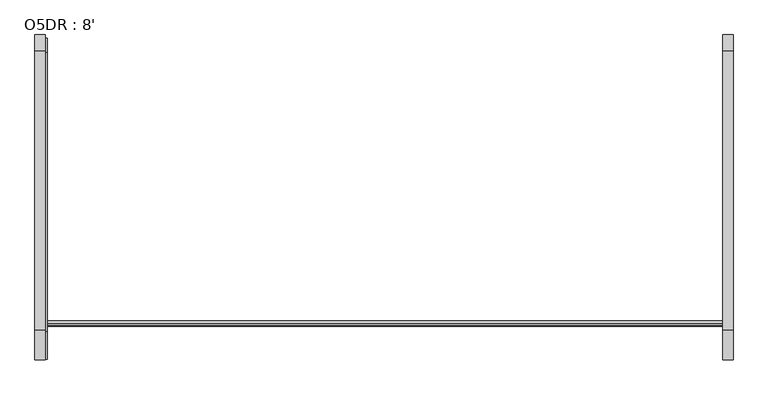
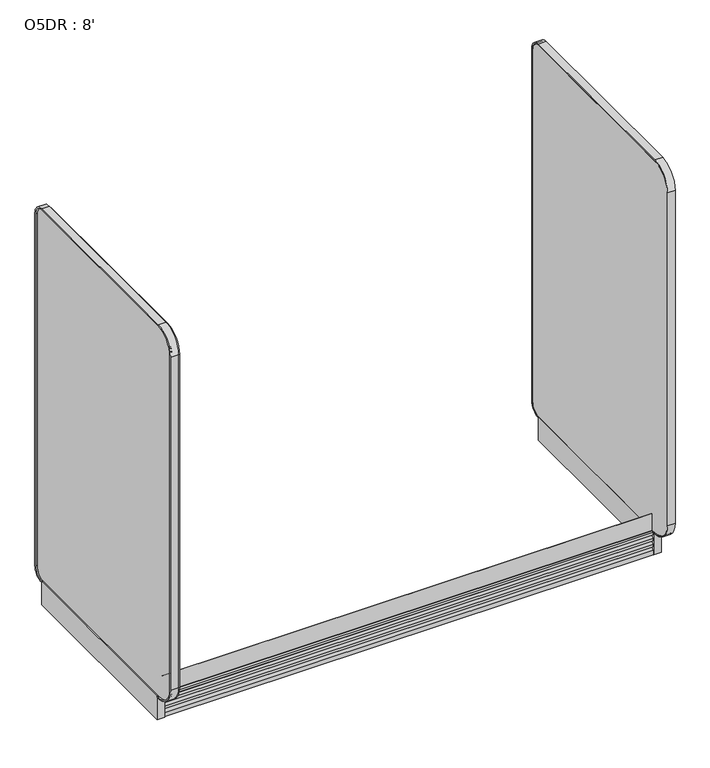
"""IFC4 building model written with IfcOpenShell, lengths in millimetres: proxy geometry, O5DR : 8'."""

from ifc_helpers import new_model, si_unit, point, frame, frame_2d, origin, origin_with_axes, place, context, project, spatial, polyline, circle_curve, trimmed, segment, composite_curve, outline, extrude, source, transform, mapped, element, save


def o5dr_8_f001a478(model_context):
    return source(origin(), model_context, "Body", "SweptSolid", [
        extrude(outline(composite_curve([segment(polyline([(-1369.8839273, 204.1509267), (-1369.8839273, 0.0), (-1388.9339273, 0.0), (-1388.9339273, 21.5408388)]), True, "CONTINUOUS"), segment(trimmed(circle_curve(frame_2d((-1389.2319159, 35.0451725)), 13.507621), [point((-1388.9339273, 21.5408388))], [point((-1376.3432892, 31.003004))], True, "CARTESIAN"), True, "CONTINUOUS"), segment(polyline([(-1376.3432892, 31.003004), (-1373.1694807, 42.2520535), (-1383.8066759, 40.0942307), (-1385.8005759, 40.0942307), (-1385.8005759, 52.7942307)]), True, "CONTINUOUS"), segment(trimmed(circle_curve(frame_2d((-1390.2184437, 66.2963779)), 14.2065314), [point((-1385.8005759, 52.7942307))], [point((-1376.6585778, 62.0589765))], True, "CARTESIAN"), True, "CONTINUOUS"), segment(polyline([(-1376.6585778, 62.0589765), (-1373.1694807, 73.2242366), (-1383.8066759, 71.0664138), (-1385.8005759, 71.0664138), (-1385.8005759, 83.7664138)]), True, "CONTINUOUS"), segment(trimmed(circle_curve(frame_2d((-1390.290819, 97.3399774)), 14.2969897), [point((-1385.8005759, 83.7664138))], [point((-1376.6585778, 93.0311596))], True, "CARTESIAN"), True, "CONTINUOUS"), segment(polyline([(-1376.6585778, 93.0311596), (-1373.1694807, 104.0699677), (-1383.8066759, 102.0387838), (-1385.8005759, 102.0387838), (-1385.8005759, 114.7387838)]), True, "CONTINUOUS"), segment(trimmed(circle_curve(frame_2d((-1385.2028113, 125.7034438)), 10.9809422), [point((-1385.8005759, 114.7387838))], [point((-1377.4170772, 117.9598377))], True, "CARTESIAN"), True, "CONTINUOUS"), segment(polyline([(-1377.4170772, 117.9598377), (-1377.4170772, 121.5911682), (-1377.4170772, 210.2329633), (-1369.8839273, 204.1509267)]), True, "CONTINUOUS")], self_intersect=False)), frame((0.0, 0.0, 0.0), z_axis=(1.0, 0.0, 0.0), x_axis=(0.0, 1.0, 0.0)), (0.0, 0.0, 1.0), 2438.4),
        extrude(outline(composite_curve([segment(polyline([(-1508.0405239, 224.5763067), (-1508.0405239, 1977.1763067)]), True, "CONTINUOUS"), segment(trimmed(circle_curve(frame_2d((-1406.4405239, 1977.1763067)), 101.6), [point((-1508.0405239, 1977.1763067))], [point((-1406.4405239, 2078.7763067))], False, "CARTESIAN"), True, "CONTINUOUS"), segment(polyline([(-1406.4405239, 2078.7763067), (-399.9655239, 2078.7763067)]), True, "CONTINUOUS"), segment(trimmed(circle_curve(frame_2d((-399.9655239, 2027.9763067)), 50.8), [point((-399.9655239, 2078.7763067))], [point((-349.1655239, 2027.9763067))], False, "CARTESIAN"), True, "CONTINUOUS"), segment(polyline([(-349.1655239, 2027.9763067), (-349.1655239, 173.7763067)]), True, "CONTINUOUS"), segment(trimmed(circle_curve(frame_2d((-399.9655239, 173.7763067)), 50.8), [point((-349.1655239, 173.7763067))], [point((-399.9655239, 122.9763067))], False, "CARTESIAN"), True, "CONTINUOUS"), segment(polyline([(-399.9655239, 122.9763067), (-1406.4405239, 122.9763067)]), True, "CONTINUOUS"), segment(trimmed(circle_curve(frame_2d((-1406.4405239, 224.5763067)), 101.6), [point((-1406.4405239, 122.9763067))], [point((-1508.0405239, 224.5763067))], False, "CARTESIAN"), True, "CONTINUOUS")], self_intersect=False)), frame((-31.0910867, 0.0, 0.0), z_axis=(1.0, 0.0, 0.0), x_axis=(0.0, 1.0, 0.0)), (0.0, 0.0, 1.0), 38.1),
        extrude(outline(composite_curve([segment(trimmed(circle_curve(frame_2d((-1401.6339273, 225.425)), 101.6), [point((-1503.2339273, 225.425))], [point((-1401.6339273, 123.825))], True, "CARTESIAN"), True, "CONTINUOUS"), segment(polyline([(-1401.6339273, 123.825), (-1392.1089273, 123.825), (-1392.1089273, 117.8960417)]), True, "CONTINUOUS"), segment(trimmed(circle_curve(frame_2d((-1401.2263921, 225.6230886)), 108.1121862), [point((-1392.1089273, 117.8960417))], [point((-1509.3385784, 225.6230886))], False, "CARTESIAN"), True, "CONTINUOUS"), segment(polyline([(-1509.3385784, 225.6230886), (-1509.3385784, 1978.061088)]), True, "CONTINUOUS"), segment(trimmed(circle_curve(frame_2d((-1401.4877971, 1978.061088)), 107.8507812), [point((-1509.3385784, 1978.061088))], [point((-1401.4877971, 2085.9118693))], False, "CARTESIAN"), True, "CONTINUOUS"), segment(polyline([(-1401.4877971, 2085.9118693), (-395.147449, 2085.9118693)]), True, "CONTINUOUS"), segment(trimmed(circle_curve(frame_2d((-395.147449, 2028.7963042)), 57.1155651), [point((-395.147449, 2085.9118693))], [point((-338.0318839, 2028.7963042))], False, "CARTESIAN"), True, "CONTINUOUS"), segment(polyline([(-338.0318839, 2028.7963042), (-338.0318839, 173.0053039)]), True, "CONTINUOUS"), segment(trimmed(circle_curve(frame_2d((-395.1589273, 174.625)), 57.15), [point((-338.0318839, 173.0053039))], [point((-395.1589273, 117.475))], False, "CARTESIAN"), True, "CONTINUOUS"), segment(polyline([(-395.1589273, 117.475), (-395.1589273, 123.825)]), True, "CONTINUOUS"), segment(trimmed(circle_curve(frame_2d((-395.1589273, 174.625)), 50.8), [point((-395.1589273, 123.825))], [point((-344.3589273, 174.625))], True, "CARTESIAN"), True, "CONTINUOUS"), segment(polyline([(-344.3589273, 174.625), (-344.3589273, 2028.825)]), True, "CONTINUOUS"), segment(trimmed(circle_curve(frame_2d((-395.1589273, 2028.825)), 50.8), [point((-344.3589273, 2028.825))], [point((-395.1589273, 2079.625))], True, "CARTESIAN"), True, "CONTINUOUS"), segment(polyline([(-395.1589273, 2079.625), (-1401.6339273, 2079.625)]), True, "CONTINUOUS"), segment(trimmed(circle_curve(frame_2d((-1401.6339273, 1978.025)), 101.6), [point((-1401.6339273, 2079.625))], [point((-1503.2339273, 1978.025))], True, "CARTESIAN"), True, "CONTINUOUS"), segment(polyline([(-1503.2339273, 1978.025), (-1503.2339273, 225.425)]), True, "CONTINUOUS")], self_intersect=False)), frame((-38.1, 0.0, 0.0), z_axis=(1.0, 0.0, 0.0), x_axis=(0.0, 1.0, 0.0)), (0.0, 0.0, 1.0), 38.1),
        extrude(outline(polyline([(0.0, -395.1589273), (0.0, -1392.1089273), (-38.1, -1392.1089273), (-38.1, -395.1589273), (0.0, -395.1589273)])), origin_with_axes(), (0.0, 0.0, 1.0), 123.825),
        extrude(outline(composite_curve([segment(polyline([(-1508.0405239, 224.5763067), (-1508.0405239, 1977.1763067)]), True, "CONTINUOUS"), segment(trimmed(circle_curve(frame_2d((-1406.4405239, 1977.1763067)), 101.6), [point((-1508.0405239, 1977.1763067))], [point((-1406.4405239, 2078.7763067))], False, "CARTESIAN"), True, "CONTINUOUS"), segment(polyline([(-1406.4405239, 2078.7763067), (-399.9655239, 2078.7763067)]), True, "CONTINUOUS"), segment(trimmed(circle_curve(frame_2d((-399.9655239, 2027.9763067)), 50.8), [point((-399.9655239, 2078.7763067))], [point((-349.1655239, 2027.9763067))], False, "CARTESIAN"), True, "CONTINUOUS"), segment(polyline([(-349.1655239, 2027.9763067), (-349.1655239, 173.7763067)]), True, "CONTINUOUS"), segment(trimmed(circle_curve(frame_2d((-399.9655239, 173.7763067)), 50.8), [point((-349.1655239, 173.7763067))], [point((-399.9655239, 122.9763067))], False, "CARTESIAN"), True, "CONTINUOUS"), segment(polyline([(-399.9655239, 122.9763067), (-1406.4405239, 122.9763067)]), True, "CONTINUOUS"), segment(trimmed(circle_curve(frame_2d((-1406.4405239, 224.5763067)), 101.6), [point((-1406.4405239, 122.9763067))], [point((-1508.0405239, 224.5763067))], False, "CARTESIAN"), True, "CONTINUOUS")], self_intersect=False)), frame((2438.4, 0.0, 0.0), z_axis=(1.0, 0.0, 0.0), x_axis=(0.0, 1.0, 0.0)), (0.0, 0.0, 1.0), 38.1),
        extrude(outline(composite_curve([segment(trimmed(circle_curve(frame_2d((-1401.6339273, 225.425)), 101.6), [point((-1503.2339273, 225.425))], [point((-1401.6339273, 123.825))], True, "CARTESIAN"), True, "CONTINUOUS"), segment(polyline([(-1401.6339273, 123.825), (-1392.1089273, 123.825), (-1392.1089273, 117.8960417)]), True, "CONTINUOUS"), segment(trimmed(circle_curve(frame_2d((-1401.2263921, 225.6230886)), 108.1121862), [point((-1392.1089273, 117.8960417))], [point((-1509.3385784, 225.6230886))], False, "CARTESIAN"), True, "CONTINUOUS"), segment(polyline([(-1509.3385784, 225.6230886), (-1509.3385784, 1978.061088)]), True, "CONTINUOUS"), segment(trimmed(circle_curve(frame_2d((-1401.4877971, 1978.061088)), 107.8507812), [point((-1509.3385784, 1978.061088))], [point((-1401.4877971, 2085.9118693))], False, "CARTESIAN"), True, "CONTINUOUS"), segment(polyline([(-1401.4877971, 2085.9118693), (-395.147449, 2085.9118693)]), True, "CONTINUOUS"), segment(trimmed(circle_curve(frame_2d((-395.147449, 2028.7963042)), 57.1155651), [point((-395.147449, 2085.9118693))], [point((-338.0318839, 2028.7963042))], False, "CARTESIAN"), True, "CONTINUOUS"), segment(polyline([(-338.0318839, 2028.7963042), (-338.0318839, 173.0053039)]), True, "CONTINUOUS"), segment(trimmed(circle_curve(frame_2d((-395.1589273, 174.625)), 57.15), [point((-338.0318839, 173.0053039))], [point((-395.1589273, 117.475))], False, "CARTESIAN"), True, "CONTINUOUS"), segment(polyline([(-395.1589273, 117.475), (-395.1589273, 123.825)]), True, "CONTINUOUS"), segment(trimmed(circle_curve(frame_2d((-395.1589273, 174.625)), 50.8), [point((-395.1589273, 123.825))], [point((-344.3589273, 174.625))], True, "CARTESIAN"), True, "CONTINUOUS"), segment(polyline([(-344.3589273, 174.625), (-344.3589273, 2028.825)]), True, "CONTINUOUS"), segment(trimmed(circle_curve(frame_2d((-395.1589273, 2028.825)), 50.8), [point((-344.3589273, 2028.825))], [point((-395.1589273, 2079.625))], True, "CARTESIAN"), True, "CONTINUOUS"), segment(polyline([(-395.1589273, 2079.625), (-1401.6339273, 2079.625)]), True, "CONTINUOUS"), segment(trimmed(circle_curve(frame_2d((-1401.6339273, 1978.025)), 101.6), [point((-1401.6339273, 2079.625))], [point((-1503.2339273, 1978.025))], True, "CARTESIAN"), True, "CONTINUOUS"), segment(polyline([(-1503.2339273, 1978.025), (-1503.2339273, 225.425)]), True, "CONTINUOUS")], self_intersect=False)), frame((2438.4, 0.0, 0.0), z_axis=(1.0, 0.0, 0.0), x_axis=(0.0, 1.0, 0.0)), (0.0, 0.0, 1.0), 38.1),
        extrude(outline(polyline([(2476.5, -395.1589273), (2476.5, -1392.1089273), (2438.4, -1392.1089273), (2438.4, -395.1589273), (2476.5, -395.1589273)])), origin_with_axes(), (0.0, 0.0, 1.0), 123.825),
    ])


if __name__ == "__main__":
    model = new_model("IFC4")
    model_context = context("Model", 3, world=origin())
    ifc_project = project(units=[si_unit("LENGTHUNIT", "METRE", prefix="MILLI")], contexts=[model_context])
    site = spatial("IfcSite", under=ifc_project)
    building = spatial("IfcBuilding", under=site)
    placement = place(None, origin())
    o5dr_8_shape = o5dr_8_f001a478(model_context)
    element("IfcBuildingElementProxy", 1, Name="O5DR : 8'", ObjectType="O5DR : 8'", at=placement, inside=building, context=model_context, shape_type="MappedRepresentation", body=[
        mapped(o5dr_8_shape, transform((0.0, 0.0, 0.0), x_axis=(1.0, 0.0, 0.0), y_axis=(0.0, 1.0, 0.0), z_axis=(0.0, 0.0, 1.0))),
    ])
    save(model, "model.ifc")
